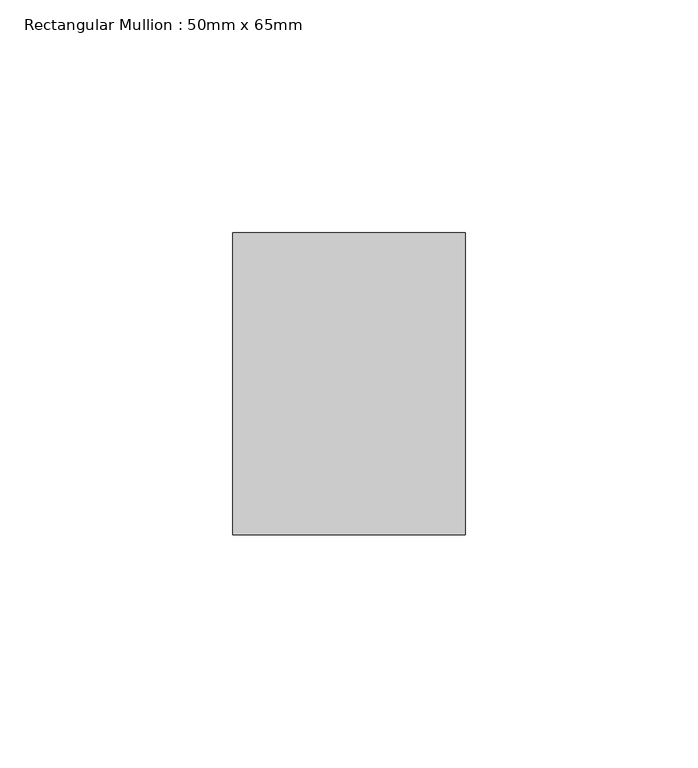
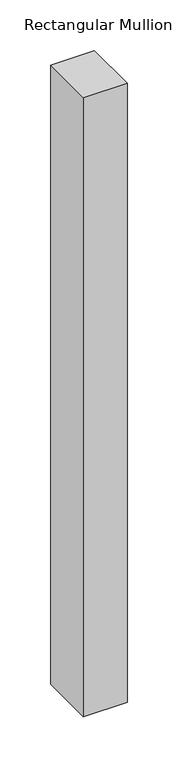
"""IFC4 building model written with IfcOpenShell, lengths in millimetres: member geometry, Rectangular Mullion : 50mm x 65mm."""

import ifcopenshell
import ifcopenshell.guid

model = None  # the IFC model being written
_history = None  # IfcOwnerHistory: only IFC2X3 demands one
_inside = {}  # id of a spatial element -> (the spatial element, [elements in it])
_under = {}  # id of a project, library or spatial element -> (it, [spatial elements below it])
_declared = {}  # id of a project -> (the project, [libraries it declares])
_typed = {}  # id of a type object -> (the type object, [elements of that type])
_made_of = {}  # id of a material, layer set ... -> (it, [elements and type objects made of it])


def new_model(schema):
    """Start an empty IFC model of exactly this schema.

    Asked for "IFC4X3", IfcOpenShell would pick the latest addendum, in which some entities
    have other attributes; the version numbers below select the first issue.
    IFC2X3 requires an IfcOwnerHistory on every rooted entity: one is made here for all.
    """
    global model, _history
    if schema == "IFC4X3":
        model = ifcopenshell.file(schema_version=(4, 3, 0, 0))
    else:
        model = ifcopenshell.file(schema=schema)
    _inside.clear()
    _under.clear()
    _declared.clear()
    _typed.clear()
    _made_of.clear()
    _history = None
    if model.schema == "IFC2X3":
        org = make("IfcOrganization", Name="unknown")
        user = make(
            "IfcPersonAndOrganization",
            ThePerson=make("IfcPerson", FamilyName="unknown"),
            TheOrganization=org,
        )
        app = make(
            "IfcApplication",
            ApplicationDeveloper=org,
            Version="unknown",
            ApplicationFullName="unknown",
            ApplicationIdentifier="unknown",
        )
        _history = make(
            "IfcOwnerHistory",
            OwningUser=user,
            OwningApplication=app,
            ChangeAction="ADDED",
            CreationDate=0,
        )
    return model


def make(cls, **values):
    """One entity of the class cls with the attributes given. An attribute that is None is left unset."""
    return model.create_entity(
        cls, **{name: value for name, value in values.items() if value is not None}
    )


def rooted(cls, **values):
    """An entity with a GlobalId (a new one), such as an element, a storey or a relation."""
    return make(cls, GlobalId=ifcopenshell.guid.new(), OwnerHistory=_history, **values)


def si_unit(unit_type, name, prefix=None):
    """IfcSIUnit, for example si_unit("LENGTHUNIT", "METRE", prefix="MILLI")."""
    return make("IfcSIUnit", UnitType=unit_type, Prefix=prefix, Name=name)


def assignment(units):
    """IfcUnitAssignment: the units of a project."""
    return None if units is None else make("IfcUnitAssignment", Units=units)


def point(xyz):
    """IfcCartesianPoint."""
    return None if xyz is None else make("IfcCartesianPoint", Coordinates=xyz)


def direction(xyz):
    """IfcDirection."""
    return None if xyz is None else make("IfcDirection", DirectionRatios=xyz)


def frame(location, z_axis=None, x_axis=None):
    """IfcAxis2Placement3D, a coordinate frame: its origin and axes. An axis left out is left unset."""
    return make(
        "IfcAxis2Placement3D",
        Location=point(location),
        Axis=direction(z_axis),
        RefDirection=direction(x_axis),
    )


def origin():
    """The frame at (0, 0, 0) with its axes left unset."""
    return frame((0.0, 0.0, 0.0))


def place(relative_to, where):
    """IfcLocalPlacement: puts the frame where relative to a parent placement (None: the world)."""
    return make(
        "IfcLocalPlacement", PlacementRelTo=relative_to, RelativePlacement=where
    )


def context(
    kind, dimensions, precision=None, world=None, true_north=None, identifier=None
):
    """IfcGeometricRepresentationContext, for example the 3D "Model" context."""
    return make(
        "IfcGeometricRepresentationContext",
        ContextIdentifier=identifier,
        ContextType=kind,
        CoordinateSpaceDimension=dimensions,
        Precision=precision,
        WorldCoordinateSystem=world,
        TrueNorth=true_north,
    )


def project(units=None, contexts=None):
    """IfcProject with its units and contexts."""
    return rooted(
        "IfcProject",
        Name="project",
        RepresentationContexts=contexts,
        UnitsInContext=assignment(units),
    )


def spatial(cls, under=None, at=None, **own):
    """A site, building, storey or space (cls), placed at a placement, below another one or the project."""
    s = rooted(cls, ObjectPlacement=at, **own)
    if under is not None:
        _under.setdefault(under.id(), (under, []))[1].append(s)
    return s


def polyline(points):
    """IfcPolyline through the points."""
    return make("IfcPolyline", Points=[point(p) for p in points])


def outline(outer, holes=None, kind="AREA"):
    """IfcArbitraryClosedProfileDef: a profile drawn as a closed curve; with holes, ...WithVoids."""
    if holes is None:
        return make("IfcArbitraryClosedProfileDef", ProfileType=kind, OuterCurve=outer)
    return make(
        "IfcArbitraryProfileDefWithVoids",
        ProfileType=kind,
        OuterCurve=outer,
        InnerCurves=holes,
    )


def extrude(swept, where, along, depth):
    """IfcExtrudedAreaSolid: the profile swept, set in the frame where, extruded along a direction by depth."""
    return make(
        "IfcExtrudedAreaSolid",
        SweptArea=swept,
        Position=where,
        ExtrudedDirection=direction(along),
        Depth=depth,
    )


def shape(context_of_items, identifier, shape_type, items):
    """IfcShapeRepresentation: the items that make up one representation, for example the "Body"."""
    return make(
        "IfcShapeRepresentation",
        ContextOfItems=context_of_items,
        RepresentationIdentifier=identifier,
        RepresentationType=shape_type,
        Items=items,
    )


def source(mapping_origin, context_of_items, identifier, shape_type, items):
    """IfcRepresentationMap: a shape defined once, which mapped items show again and again."""
    return make(
        "IfcRepresentationMap",
        MappingOrigin=mapping_origin,
        MappedRepresentation=shape(context_of_items, identifier, shape_type, items),
    )


def transform(
    local_origin,
    x_axis=None,
    y_axis=None,
    z_axis=None,
    scale=None,
    scale2=None,
    scale3=None,
    uniform=True,
):
    """IfcCartesianTransformationOperator3D, or its non-uniform kind. x_axis, y_axis, z_axis: its Axis1, 2, 3."""
    if uniform:
        return make(
            "IfcCartesianTransformationOperator3D",
            Axis1=direction(x_axis),
            Axis2=direction(y_axis),
            LocalOrigin=point(local_origin),
            Scale=scale,
            Axis3=direction(z_axis),
        )
    return make(
        "IfcCartesianTransformationOperator3DnonUniform",
        Axis1=direction(x_axis),
        Axis2=direction(y_axis),
        LocalOrigin=point(local_origin),
        Scale=scale,
        Axis3=direction(z_axis),
        Scale2=scale2,
        Scale3=scale3,
    )


def mapped(mapping_source, mapping_target):
    """IfcMappedItem: shows the shape of a source again, moved by a transform."""
    return make(
        "IfcMappedItem", MappingSource=mapping_source, MappingTarget=mapping_target
    )


def made_of(thing, what):
    """Note that an element or type object is made of a material, layer set ...; save() writes the relation."""
    if what is not None:
        _made_of.setdefault(what.id(), (what, []))[1].append(thing)
    return thing


def element(
    cls,
    number,
    at=None,
    inside=None,
    cuts=None,
    type_object=None,
    material=None,
    context=None,
    identifier="Body",
    shape_type=None,
    held_by="IfcProductDefinitionShape",
    body=None,
    shapes=None,
    **own,
):
    """One element of the class cls, such as IfcWall. Its Tag is "e" and its number.

    at: its placement. inside: the storey or other place that contains it. cuts: it is an
    opening in that element (IfcRelVoidsElement). A single representation is given by context,
    identifier, shape_type and body (its items); several are given by shapes. held_by: the class
    of the entity that holds the representations. save() writes the other relations.
    """
    e = rooted(cls, Tag="e%d" % number, ObjectPlacement=at, **own)
    if body is not None:
        shapes = [shape(context, identifier, shape_type, body)]
    if shapes is not None:
        e.Representation = make(held_by, Representations=shapes)
    if inside is not None:
        _inside.setdefault(inside.id(), (inside, []))[1].append(e)
    if cuts is not None:
        rooted(
            "IfcRelVoidsElement", RelatingBuildingElement=cuts, RelatedOpeningElement=e
        )
    if type_object is not None:
        _typed.setdefault(type_object.id(), (type_object, []))[1].append(e)
    return made_of(e, material)


def aggregate(whole, parts):
    """IfcRelAggregates: a whole, such as a stair, and the parts it consists of."""
    return rooted("IfcRelAggregates", RelatingObject=whole, RelatedObjects=parts)


def save(model, path):
    """Write the relations noted so far, then the file.

    IfcRelAggregates (storeys below a building ...), IfcRelContainedInSpatialStructure (elements
    in a storey), IfcRelDefinesByType, IfcRelAssociatesMaterial and IfcRelDeclares: one each for
    every whole, place, type object, material and project.
    """
    for whole, parts in _under.values():
        aggregate(whole, parts)
    for where, things in _inside.values():
        rooted(
            "IfcRelContainedInSpatialStructure",
            RelatedElements=things,
            RelatingStructure=where,
        )
    for kind, things in _typed.values():
        rooted("IfcRelDefinesByType", RelatedObjects=things, RelatingType=kind)
    for what, things in _made_of.values():
        rooted("IfcRelAssociatesMaterial", RelatedObjects=things, RelatingMaterial=what)
    for by, libraries in _declared.values():
        rooted("IfcRelDeclares", RelatingContext=by, RelatedDefinitions=libraries)
    model.write(path)


def rectangular_mullion_50mm_x_65mm_9e7205c8(model_context):
    return source(origin(), model_context, "Body", "SweptSolid", [
        extrude(outline(polyline([(25.0, 32.5), (25.0, -32.5), (-25.0, -32.5), (-25.0, 32.5), (25.0, 32.5)])), frame((0.0, 0.0, -748.3577969), z_axis=(0.0, 0.0, 1.0), x_axis=(1.0, 0.0, 0.0)), (0.0, 0.0, 1.0), 748.3577969),
    ])


if __name__ == "__main__":
    model = new_model("IFC4")
    model_context = context("Model", 3, world=origin())
    ifc_project = project(units=[si_unit("LENGTHUNIT", "METRE", prefix="MILLI")], contexts=[model_context])
    site = spatial("IfcSite", under=ifc_project)
    building = spatial("IfcBuilding", under=site)
    placement = place(None, origin())
    rectangular_mullion_50mm_x_65mm_shape = rectangular_mullion_50mm_x_65mm_9e7205c8(model_context)
    element("IfcMember", 1, ObjectType="Rectangular Mullion : 50mm x 65mm", at=placement, inside=building, context=model_context, shape_type="MappedRepresentation", body=[
        mapped(rectangular_mullion_50mm_x_65mm_shape, transform((0.0, 0.0, 0.0), x_axis=(1.0, 0.0, 0.0), y_axis=(0.0, 1.0, 0.0), z_axis=(0.0, 0.0, 1.0))),
    ])
    save(model, "model.ifc")
